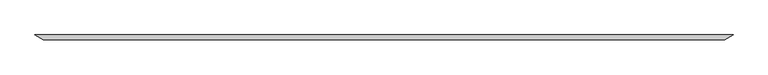
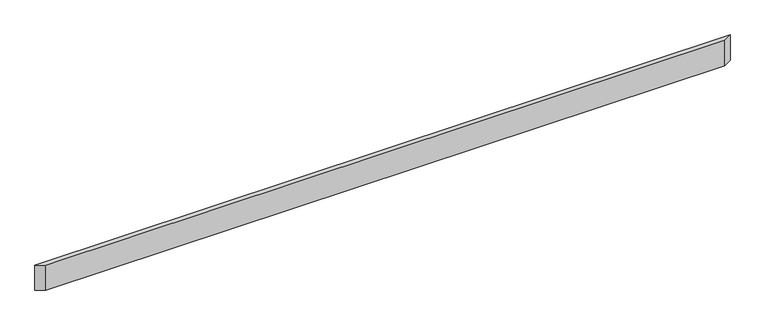
"""IFC4 building model written with IfcOpenShell, lengths in millimetres: beam geometry."""

from ifc_helpers import new_model, si_unit, frame, origin, place, context, project, spatial, polyline, outline, extrude, source, transform, mapped, element, save


def beam_3f816815(model_context):
    return source(origin(), model_context, "Body", "SweptSolid", [
        extrude(outline(polyline([(2555.9815809, -18.0), (-2555.9815809, -18.0), (-2618.33541, 18.0), (2618.33541, 18.0), (2555.9815809, -18.0)])), frame((0.0, 0.0, -100.0), z_axis=(0.0, 0.0, 1.0), x_axis=(1.0, 0.0, 0.0)), (0.0, 0.0, 1.0), 200.0),
    ])


if __name__ == "__main__":
    model = new_model("IFC4")
    model_context = context("Model", 3, world=origin())
    ifc_project = project(units=[si_unit("LENGTHUNIT", "METRE", prefix="MILLI")], contexts=[model_context])
    site = spatial("IfcSite", under=ifc_project)
    building = spatial("IfcBuilding", under=site)
    placement = place(None, origin())
    beam_shape = beam_3f816815(model_context)
    element("IfcBeam", 1, at=placement, inside=building, context=model_context, shape_type="MappedRepresentation", body=[
        mapped(beam_shape, transform((0.0, 0.0, 0.0), x_axis=(1.0, 0.0, 0.0), y_axis=(0.0, 1.0, 0.0), z_axis=(0.0, 0.0, 1.0))),
    ])
    save(model, "model.ifc")
